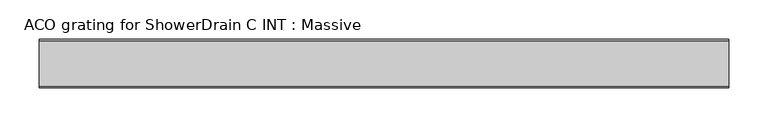
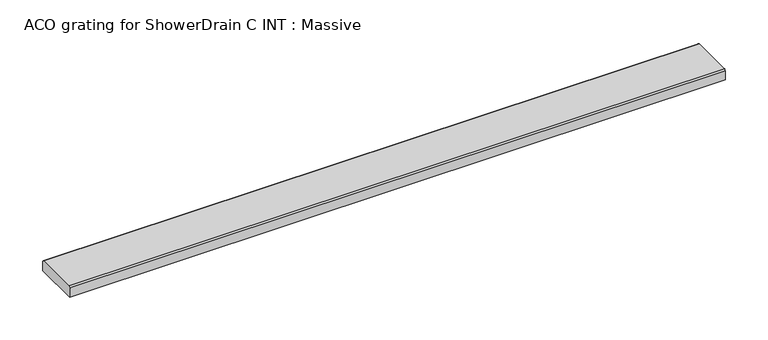
"""IFC4 building model written with IfcOpenShell, lengths in millimetres: sanitary terminal geometry, ACO grating for ShowerDrain C INT : Massive."""

from ifc_helpers import new_model, si_unit, point, frame, frame_2d, origin, place, context, project, spatial, polyline, circle_curve, trimmed, segment, composite_curve, outline, extrude, source, transform, mapped, element, save


def aco_grating_for_showerdrain_c_int_massive_ea1a673e(model_context):
    return source(origin(), model_context, "Body", "SweptSolid", [
        extrude(outline(composite_curve([segment(polyline([(31.0, -15.0), (-31.0, -15.0), (-31.0, -1.977849)]), True, "CONTINUOUS"), segment(trimmed(circle_curve(frame_2d((-29.022151, -1.977849)), 1.977849), [point((-31.0, -1.977849))], [point((-29.022151, 0.0))], False, "CARTESIAN"), True, "CONTINUOUS"), segment(polyline([(-29.022151, 0.0), (29.022151, 0.0)]), True, "CONTINUOUS"), segment(trimmed(circle_curve(frame_2d((29.022151, -1.977849)), 1.977849), [point((29.022151, 0.0))], [point((31.0, -1.977849))], False, "CARTESIAN"), True, "CONTINUOUS"), segment(polyline([(31.0, -1.977849), (31.0, -15.0)]), True, "CONTINUOUS")], self_intersect=False)), frame((-440.5, 0.0, 0.0), z_axis=(1.0, 0.0, 0.0), x_axis=(0.0, 1.0, 0.0)), (0.0, 0.0, 1.0), 881.0),
    ])


if __name__ == "__main__":
    model = new_model("IFC4")
    model_context = context("Model", 3, world=origin())
    ifc_project = project(units=[si_unit("LENGTHUNIT", "METRE", prefix="MILLI")], contexts=[model_context])
    site = spatial("IfcSite", under=ifc_project)
    building = spatial("IfcBuilding", under=site)
    placement = place(None, origin())
    aco_grating_for_showerdrain_c_int_massive_shape = aco_grating_for_showerdrain_c_int_massive_ea1a673e(model_context)
    element("IfcSanitaryTerminal", 1, ObjectType="ACO grating for ShowerDrain C INT : Massive", at=placement, inside=building, context=model_context, shape_type="MappedRepresentation", body=[
        mapped(aco_grating_for_showerdrain_c_int_massive_shape, transform((0.0, 0.0, 0.0), x_axis=(1.0, 0.0, 0.0), y_axis=(0.0, 1.0, 0.0), z_axis=(0.0, 0.0, 1.0))),
    ])
    save(model, "model.ifc")
